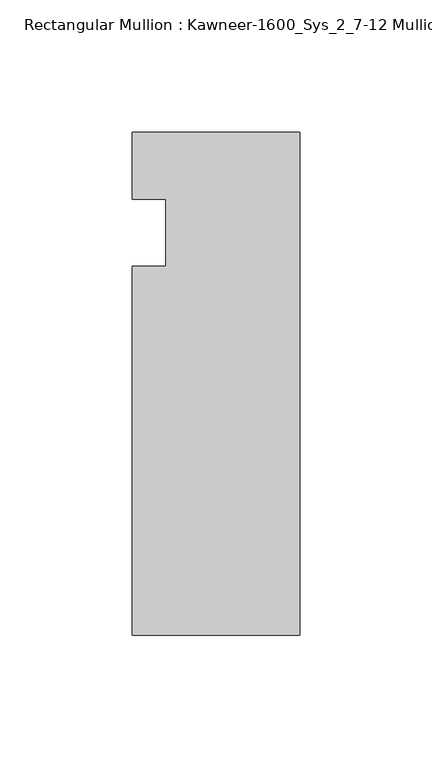
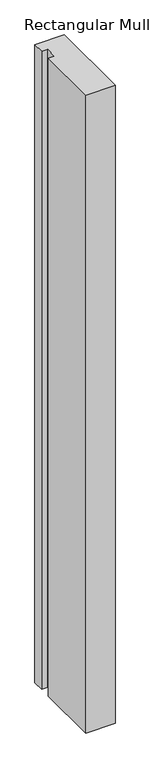
"""IFC4 building model written with IfcOpenShell, lengths in millimetres: member geometry, Rectangular Mullion : Kawneer-1600_Sys_2_7-12 Mullion_Head."""

from ifc_helpers import new_model, si_unit, frame, origin, place, context, project, spatial, polyline, outline, extrude, source, transform, mapped, element, save


def rectangular_mullion_kawneer_1600_sys_2_7_12_mullion_head_39220dfc(model_context):
    return source(origin(), model_context, "Body", "SweptSolid", [
        extrude(outline(polyline([(-63.5, -152.4), (-63.5, -12.7), (-50.7982296, -12.7), (-50.7982296, 12.7), (-63.5, 12.7), (-63.5, 38.1), (0.0, 38.1), (0.0, -152.4), (-63.5, -152.4)])), frame((0.0, 0.0, -1460.5), z_axis=(0.0, 0.0, 1.0), x_axis=(1.0, 0.0, 0.0)), (0.0, 0.0, 1.0), 1460.5),
    ])


if __name__ == "__main__":
    model = new_model("IFC4")
    model_context = context("Model", 3, world=origin())
    ifc_project = project(units=[si_unit("LENGTHUNIT", "METRE", prefix="MILLI")], contexts=[model_context])
    site = spatial("IfcSite", under=ifc_project)
    building = spatial("IfcBuilding", under=site)
    placement = place(None, origin())
    rectangular_mullion_kawneer_1600_sys_2_7_12_mullion_head_shape = rectangular_mullion_kawneer_1600_sys_2_7_12_mullion_head_39220dfc(model_context)
    element("IfcMember", 1, ObjectType="Rectangular Mullion : Kawneer-1600_Sys_2_7-12 Mullion_Head", at=placement, inside=building, context=model_context, shape_type="MappedRepresentation", body=[
        mapped(rectangular_mullion_kawneer_1600_sys_2_7_12_mullion_head_shape, transform((0.0, 0.0, 0.0), x_axis=(1.0, 0.0, 0.0), y_axis=(0.0, 1.0, 0.0), z_axis=(0.0, 0.0, 1.0))),
    ])
    save(model, "model.ifc")
